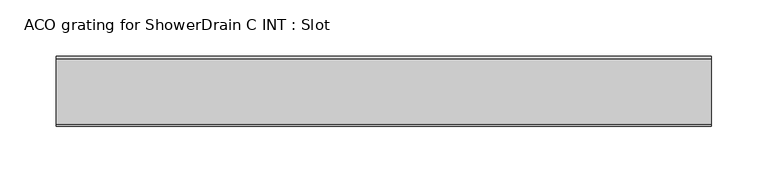
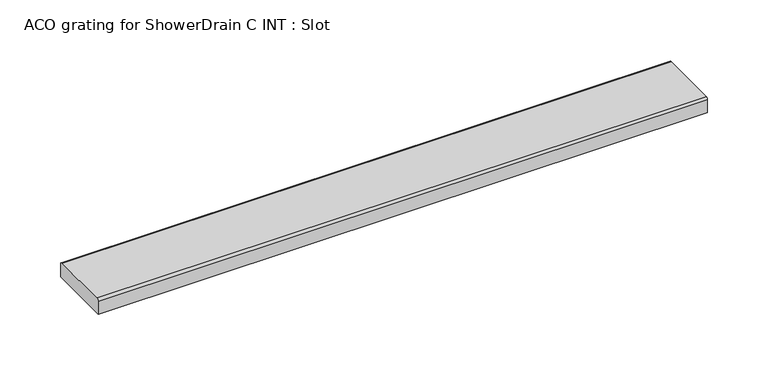
"""IFC4 building model written with IfcOpenShell, lengths in millimetres: sanitary terminal geometry, ACO grating for ShowerDrain C INT : Slot."""

from ifc_helpers import new_model, si_unit, point, frame, frame_2d, origin, place, context, project, spatial, polyline, circle_curve, trimmed, segment, composite_curve, outline, extrude, source, transform, mapped, element, save


def aco_grating_for_showerdrain_c_int_slot_920ba84a(model_context):
    return source(origin(), model_context, "Body", "SweptSolid", [
        extrude(outline(composite_curve([segment(polyline([(31.0, -15.0), (-31.0, -15.0), (-31.0, -1.977849)]), True, "CONTINUOUS"), segment(trimmed(circle_curve(frame_2d((-29.022151, -1.977849)), 1.977849), [point((-31.0, -1.977849))], [point((-29.022151, 0.0))], False, "CARTESIAN"), True, "CONTINUOUS"), segment(polyline([(-29.022151, 0.0), (29.022151, 0.0)]), True, "CONTINUOUS"), segment(trimmed(circle_curve(frame_2d((29.022151, -1.977849)), 1.977849), [point((29.022151, 0.0))], [point((31.0, -1.977849))], False, "CARTESIAN"), True, "CONTINUOUS"), segment(polyline([(31.0, -1.977849), (31.0, -15.0)]), True, "CONTINUOUS")], self_intersect=False)), frame((-290.5, 0.0, 0.0), z_axis=(1.0, 0.0, 0.0), x_axis=(0.0, 1.0, 0.0)), (0.0, 0.0, 1.0), 581.0),
    ])


if __name__ == "__main__":
    model = new_model("IFC4")
    model_context = context("Model", 3, world=origin())
    ifc_project = project(units=[si_unit("LENGTHUNIT", "METRE", prefix="MILLI")], contexts=[model_context])
    site = spatial("IfcSite", under=ifc_project)
    building = spatial("IfcBuilding", under=site)
    placement = place(None, origin())
    aco_grating_for_showerdrain_c_int_slot_shape = aco_grating_for_showerdrain_c_int_slot_920ba84a(model_context)
    element("IfcSanitaryTerminal", 1, ObjectType="ACO grating for ShowerDrain C INT : Slot", at=placement, inside=building, context=model_context, shape_type="MappedRepresentation", body=[
        mapped(aco_grating_for_showerdrain_c_int_slot_shape, transform((0.0, 0.0, 0.0), x_axis=(1.0, 0.0, 0.0), y_axis=(0.0, 1.0, 0.0), z_axis=(0.0, 0.0, 1.0))),
    ])
    save(model, "model.ifc")
